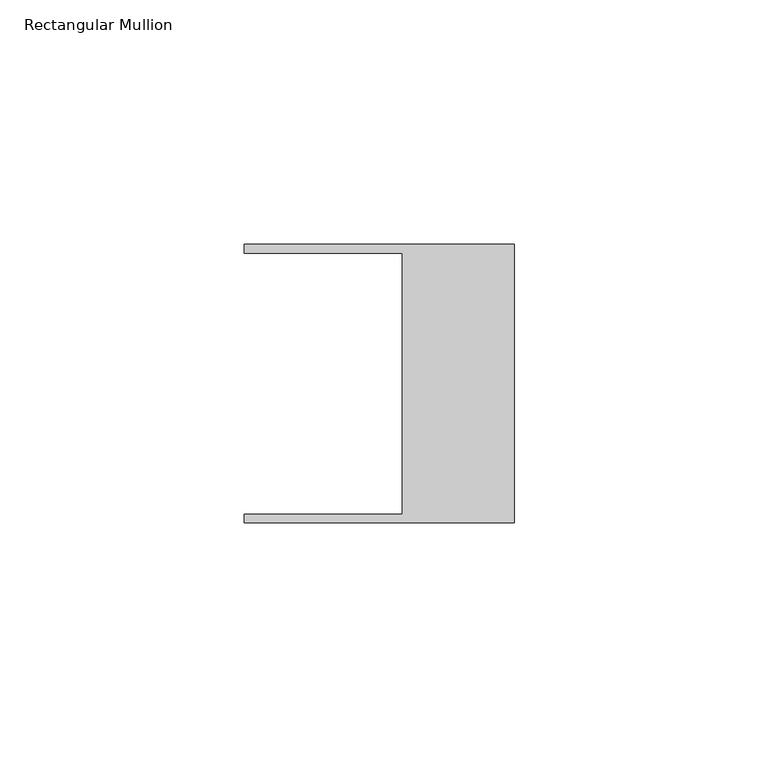
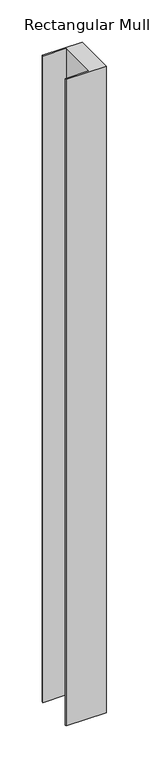
"""IFC4 building model written with IfcOpenShell, lengths in millimetres: member geometry, Rectangular Mullion."""

from ifc_helpers import new_model, si_unit, frame, origin, place, context, project, spatial, polyline, outline, extrude, source, transform, mapped, element, save


def rectangular_mullion_9ff330f4(model_context):
    return source(origin(), model_context, "Body", "SweptSolid", [
        extrude(outline(polyline([(-55.118, -26.67), (-22.86, -26.67), (-22.86, 26.67), (-55.118, 26.67), (-55.118, 28.448), (0.0, 28.448), (0.0, -28.448), (-55.118, -28.448), (-55.118, -26.67)])), frame((0.0, 0.0, -935.8043061), z_axis=(0.0, 0.0, 1.0), x_axis=(1.0, 0.0, 0.0)), (0.0, 0.0, 1.0), 935.8043061),
    ])


if __name__ == "__main__":
    model = new_model("IFC4")
    model_context = context("Model", 3, world=origin())
    ifc_project = project(units=[si_unit("LENGTHUNIT", "METRE", prefix="MILLI")], contexts=[model_context])
    site = spatial("IfcSite", under=ifc_project)
    building = spatial("IfcBuilding", under=site)
    placement = place(None, origin())
    rectangular_mullion_shape = rectangular_mullion_9ff330f4(model_context)
    element("IfcMember", 1, ObjectType="Rectangular Mullion", at=placement, inside=building, context=model_context, shape_type="MappedRepresentation", body=[
        mapped(rectangular_mullion_shape, transform((0.0, 0.0, 0.0), x_axis=(1.0, 0.0, 0.0), y_axis=(0.0, 1.0, 0.0), z_axis=(0.0, 0.0, 1.0))),
    ])
    save(model, "model.ifc")
